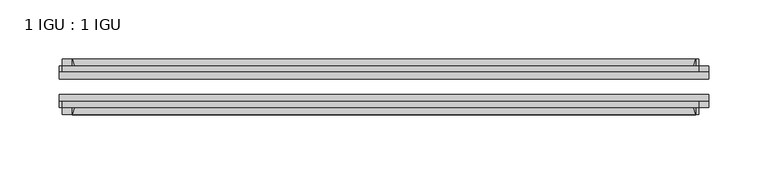
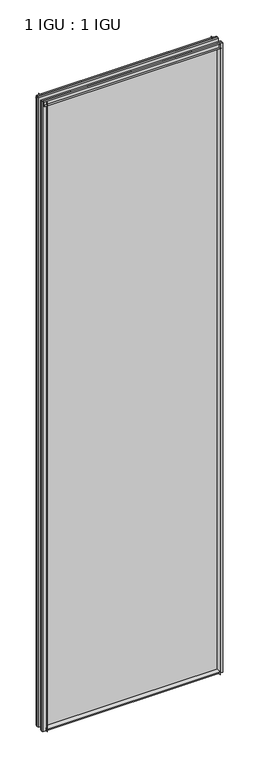
"""IFC4 building model written with IfcOpenShell, lengths in millimetres: plate geometry, 1 IGU : 1 IGU."""

from ifc_helpers import new_model, si_unit, point, frame, frame_2d, origin, place, context, project, spatial, polyline, circle_curve, trimmed, segment, composite_curve, outline, extrude, source, transform, mapped, element, save


def plate_1_igu_1_igu_dcbaa448(model_context):
    return source(origin(), model_context, "Body", "SweptSolid", [
        extrude(outline(composite_curve([segment(polyline([(-74.6252, -8.73125), (-74.6252, -0.0097454), (-80.6504332, -0.0097454)]), True, "CONTINUOUS"), segment(trimmed(circle_curve(frame_2d((-86.2258203, 32.2797688)), 32.7673262), [point((-80.6504332, -0.0097454))], [point((-69.85, 3.8979053))], True, "CARTESIAN"), True, "CONTINUOUS"), segment(polyline([(-69.85, 3.8979053), (-69.85, -8.73125), (-74.6252, -8.73125)]), True, "CONTINUOUS")], self_intersect=False)), frame((-263.525, 0.0, 0.0), z_axis=(1.0, 0.0, 0.0), x_axis=(0.0, 1.0, 0.0)), (0.0, 0.0, 1.0), 527.05),
        extrude(outline(composite_curve([segment(polyline([(-39.6748, -8.73125), (-44.45, -8.73125), (-44.45, 3.8979053)]), True, "CONTINUOUS"), segment(trimmed(circle_curve(frame_2d((-28.0741797, 32.2797688)), 32.7673262), [point((-44.45, 3.8979053))], [point((-33.6495668, -0.0097454))], True, "CARTESIAN"), True, "CONTINUOUS"), segment(polyline([(-33.6495668, -0.0097454), (-39.6748, -0.0097454), (-39.6748, -8.73125)]), True, "CONTINUOUS")], self_intersect=False)), frame((-263.525, 0.0, 0.0), z_axis=(1.0, 0.0, 0.0), x_axis=(0.0, 1.0, 0.0)), (0.0, 0.0, 1.0), 527.05),
        extrude(outline(composite_curve([segment(polyline([(-80.5942, 2008.98125), (-74.6252, 2008.98125), (-74.6252, 2020.09375), (-69.85, 2020.09375), (-69.85, 2005.0833595)]), True, "CONTINUOUS"), segment(trimmed(circle_curve(frame_2d((-86.2258203, 1976.701496)), 32.7673262), [point((-69.85, 2005.0833595))], [point((-80.5942, 2008.98125))], True, "CARTESIAN"), True, "CONTINUOUS")], self_intersect=False)), frame((-272.0377386, 0.0, 0.0), z_axis=(1.0, 0.0, 0.0), x_axis=(0.0, 1.0, 0.0)), (0.0, 0.0, 1.0), 538.1087001),
        extrude(outline(composite_curve([segment(polyline([(-39.6748, 2020.09375), (-39.6748, 2008.98125), (-33.7058, 2008.98125)]), True, "CONTINUOUS"), segment(trimmed(circle_curve(frame_2d((-28.0741797, 1976.701496)), 32.7673262), [point((-33.7058, 2008.98125))], [point((-44.45, 2005.0833595))], True, "CARTESIAN"), True, "CONTINUOUS"), segment(polyline([(-44.45, 2005.0833595), (-44.45, 2020.09375), (-39.6748, 2020.09375)]), True, "CONTINUOUS")], self_intersect=False)), frame((-272.0377386, 0.0, 0.0), z_axis=(1.0, 0.0, 0.0), x_axis=(0.0, 1.0, 0.0)), (0.0, 0.0, 1.0), 538.1087001),
        extrude(outline(composite_curve([segment(polyline([(274.6375, -39.6748), (274.6375, -44.45), (259.6271095, -44.45)]), True, "CONTINUOUS"), segment(trimmed(circle_curve(frame_2d((231.245246, -28.0741797)), 32.7673262), [point((259.6271095, -44.45))], [point((263.525, -33.7058))], True, "CARTESIAN"), True, "CONTINUOUS"), segment(polyline([(263.525, -33.7058), (263.525, -39.6748), (274.6375, -39.6748)]), True, "CONTINUOUS")], self_intersect=False)), frame((0.0, 0.0, -8.73125), z_axis=(0.0, 0.0, 1.0), x_axis=(1.0, 0.0, 0.0)), (0.0, 0.0, 1.0), 2028.825),
        extrude(outline(composite_curve([segment(polyline([(274.6375, -69.85), (274.6375, -74.6252), (263.525, -74.6252), (263.525, -80.5942)]), True, "CONTINUOUS"), segment(trimmed(circle_curve(frame_2d((231.245246, -86.2258203)), 32.7673262), [point((263.525, -80.5942))], [point((259.6271095, -69.85))], True, "CARTESIAN"), True, "CONTINUOUS"), segment(polyline([(259.6271095, -69.85), (274.6375, -69.85)]), True, "CONTINUOUS")], self_intersect=False)), frame((0.0, 0.0, -8.73125), z_axis=(0.0, 0.0, 1.0), x_axis=(1.0, 0.0, 0.0)), (0.0, 0.0, 1.0), 2028.825),
        extrude(outline(composite_curve([segment(polyline([(-274.6375, -39.6748), (-263.525, -39.6748), (-263.525, -33.7058)]), True, "CONTINUOUS"), segment(trimmed(circle_curve(frame_2d((-231.245246, -28.0741797)), 32.7673262), [point((-263.525, -33.7058))], [point((-259.6271095, -44.45))], True, "CARTESIAN"), True, "CONTINUOUS"), segment(polyline([(-259.6271095, -44.45), (-274.6375, -44.45), (-274.6375, -39.6748)]), True, "CONTINUOUS")], self_intersect=False)), frame((0.0, 0.0, -8.73125), z_axis=(0.0, 0.0, 1.0), x_axis=(1.0, 0.0, 0.0)), (0.0, 0.0, 1.0), 2028.825),
        extrude(outline(composite_curve([segment(polyline([(-274.6375, -74.6252), (-274.6375, -69.85), (-259.6271095, -69.85)]), True, "CONTINUOUS"), segment(trimmed(circle_curve(frame_2d((-231.245246, -86.2258203)), 32.7673262), [point((-259.6271095, -69.85))], [point((-263.525, -80.5942))], True, "CARTESIAN"), True, "CONTINUOUS"), segment(polyline([(-263.525, -80.5942), (-263.525, -74.6252), (-274.6375, -74.6252)]), True, "CONTINUOUS")], self_intersect=False)), frame((0.0, 0.0, -8.73125), z_axis=(0.0, 0.0, 1.0), x_axis=(1.0, 0.0, 0.0)), (0.0, 0.0, 1.0), 2028.825),
        extrude(outline(polyline([(-274.6375, -69.85), (-274.6375, -63.5508), (274.6375, -63.5508), (274.6375, -69.85), (-274.6375, -69.85)])), frame((0.0, 0.0, -8.73125), z_axis=(0.0, 0.0, 1.0), x_axis=(1.0, 0.0, 0.0)), (0.0, 0.0, 1.0), 2028.825),
        extrude(outline(polyline([(274.6375, -50.7492), (-274.6375, -50.7492), (-274.6375, -44.45), (274.6375, -44.45), (274.6375, -50.7492)])), frame((0.0, 0.0, -8.73125), z_axis=(0.0, 0.0, 1.0), x_axis=(1.0, 0.0, 0.0)), (0.0, 0.0, 1.0), 2028.825),
    ])


if __name__ == "__main__":
    model = new_model("IFC4")
    model_context = context("Model", 3, world=origin())
    ifc_project = project(units=[si_unit("LENGTHUNIT", "METRE", prefix="MILLI")], contexts=[model_context])
    site = spatial("IfcSite", under=ifc_project)
    building = spatial("IfcBuilding", under=site)
    placement = place(None, origin())
    plate_1_igu_1_igu_shape = plate_1_igu_1_igu_dcbaa448(model_context)
    element("IfcPlate", 1, ObjectType="1 IGU : 1 IGU", at=placement, inside=building, context=model_context, shape_type="MappedRepresentation", body=[
        mapped(plate_1_igu_1_igu_shape, transform((0.0, 0.0, 0.0), x_axis=(1.0, 0.0, 0.0), y_axis=(0.0, 1.0, 0.0), z_axis=(0.0, 0.0, 1.0))),
    ])
    save(model, "model.ifc")
